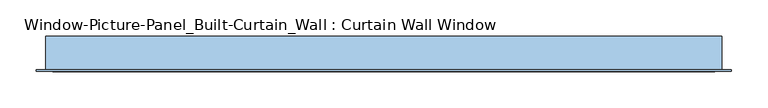
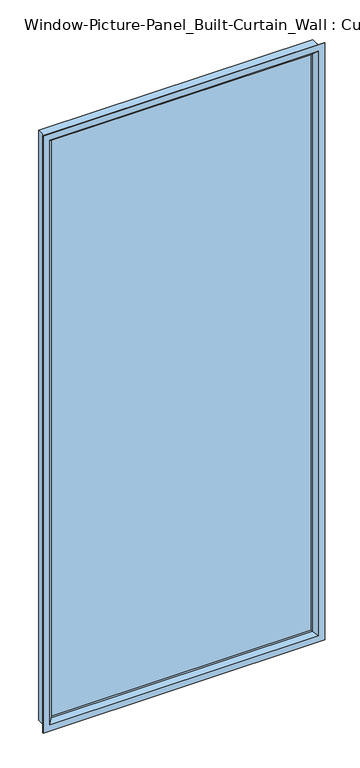
"""IFC4 building model written with IfcOpenShell, lengths in millimetres: window geometry, Window-Picture-Panel_Built-Curtain_Wall : Curtain Wall Window."""

from ifc_helpers import new_model, si_unit, frame, origin, place, context, project, spatial, polyline, outline, extrude, faceted_brep, source, transform, mapped, element, save


def window_picture_panel_built_curtain_wall_curtain_wall_window_67f0c64c(model_context):
    return source(origin(), model_context, "Body", "SolidModel", [
        extrude(outline(polyline([(450.85, -32.9044336), (-450.85, -32.9044336), (-450.85, -26.5544336), (450.85, -26.5544336), (450.85, -32.9044336)])), frame((0.0, 0.0, 12.7), z_axis=(0.0, 0.0, 1.0), x_axis=(1.0, 0.0, 0.0)), (0.0, 0.0, 1.0), 2082.8),
        faceted_brep([(-463.55, -5.5372, 2108.2), (-463.55, -5.5372, 0.0), (-463.55, -50.8, 0.0), (-463.55, -50.8, 2108.2), (-476.25, -50.8, -12.7), (-476.25, -50.8, 2120.9), (476.25, -50.8, 2120.9), (476.25, -50.8, -12.7), (463.55, -50.8, 0.0), (463.55, -50.8, 2108.2), (463.55, -5.5372, 0.0), (463.55, -5.5372, 2108.2), (-441.3339566, -5.5372, 2085.9839566), (-441.3339566, -5.5372, 22.2160434), (441.3339566, -5.5372, 22.2160434), (441.3339566, -5.5372, 2085.9839566), (-441.3339566, -26.5544336, 2085.9839566), (-441.3339566, -26.5544336, 22.2160434), (441.3339566, -26.5544336, 22.2160434), (-450.85, -26.5544336, 2095.5), (-450.85, -26.5544336, 12.7), (450.85, -26.5544336, 12.7), (450.85, -26.5544336, 2095.5), (441.3339566, -26.5544336, 2085.9839566), (-450.85, -32.9044336, 2095.5), (-450.85, -32.9044336, 12.7), (450.85, -32.9044336, 12.7), (450.85, -32.9044336, 2095.5), (-441.3339566, -32.9044336, 2085.9839566), (-441.3339566, -32.9044336, 22.2160434), (441.3339566, -32.9044336, 22.2160434), (441.3339566, -32.9044336, 2085.9839566), (-441.3339566, -40.4712173, 2085.9839566), (-441.3339566, -40.4712173, 22.2160434), (441.3339566, -40.4712173, 22.2160434), (-454.0649799, -53.1622, 2098.7149799), (-454.0649799, -53.1622, 9.4850201), (454.0649799, -53.1622, 9.4850201), (-476.25, -53.1622, 2120.9), (-476.25, -53.1622, -12.7), (476.25, -53.1622, -12.7), (476.25, -53.1622, 2120.9), (454.0649799, -53.1622, 2098.7149799), (441.3339566, -40.4712173, 2085.9839566)], [[[0, 1, 2, 3]], [[4, 5, 6, 7], [3, 2, 8, 9]], [[1, 10, 8, 2]], [[1, 0, 11, 10], [12, 13, 14, 15]], [[16, 17, 13, 12]], [[17, 18, 14, 13]], [[19, 20, 21, 22], [17, 16, 23, 18]], [[24, 25, 20, 19]], [[25, 26, 21, 20]], [[25, 24, 27, 26], [28, 29, 30, 31]], [[32, 33, 29, 28]], [[33, 34, 30, 29]], [[35, 36, 33, 32]], [[36, 37, 34, 33]], [[38, 39, 40, 41], [36, 35, 42, 37]], [[5, 4, 39, 38]], [[4, 7, 40, 39]], [[10, 11, 9, 8]], [[18, 23, 15, 14]], [[26, 27, 22, 21]], [[34, 43, 31, 30]], [[37, 42, 43, 34]], [[7, 6, 41, 40]], [[11, 0, 3, 9]], [[23, 16, 12, 15]], [[27, 24, 19, 22]], [[43, 32, 28, 31]], [[42, 35, 32, 43]], [[6, 5, 38, 41]]]),
    ])


if __name__ == "__main__":
    model = new_model("IFC4")
    model_context = context("Model", 3, world=origin())
    ifc_project = project(units=[si_unit("LENGTHUNIT", "METRE", prefix="MILLI")], contexts=[model_context])
    site = spatial("IfcSite", under=ifc_project)
    building = spatial("IfcBuilding", under=site)
    placement = place(None, origin())
    window_picture_panel_built_curtain_wall_curtain_wall_window_shape = window_picture_panel_built_curtain_wall_curtain_wall_window_67f0c64c(model_context)
    element("IfcWindow", 1, ObjectType="Window-Picture-Panel_Built-Curtain_Wall : Curtain Wall Window", at=placement, inside=building, context=model_context, shape_type="MappedRepresentation", body=[
        mapped(window_picture_panel_built_curtain_wall_curtain_wall_window_shape, transform((0.0, 0.0, 0.0), x_axis=(1.0, 0.0, 0.0), y_axis=(0.0, 1.0, 0.0), z_axis=(0.0, 0.0, 1.0))),
    ])
    save(model, "model.ifc")
